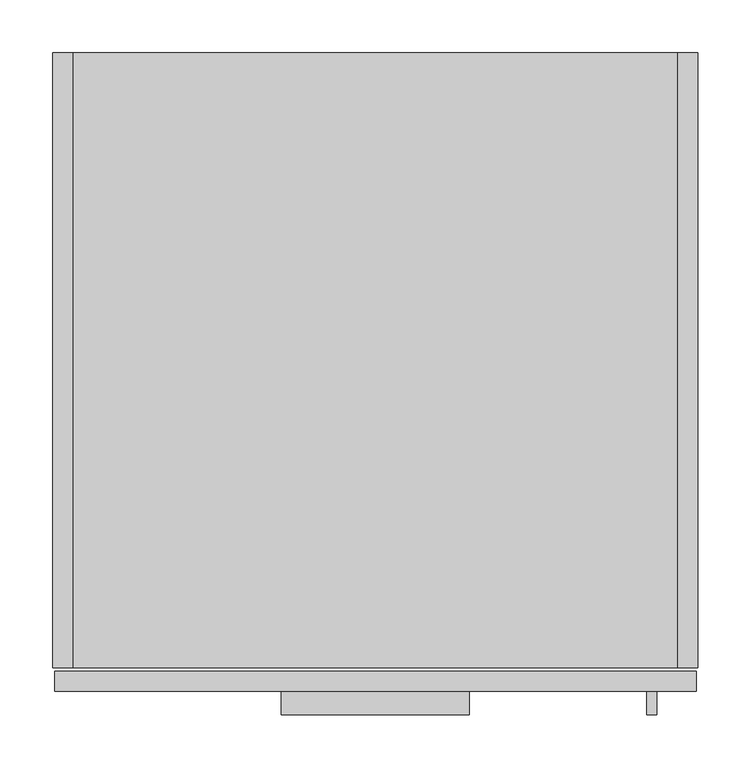
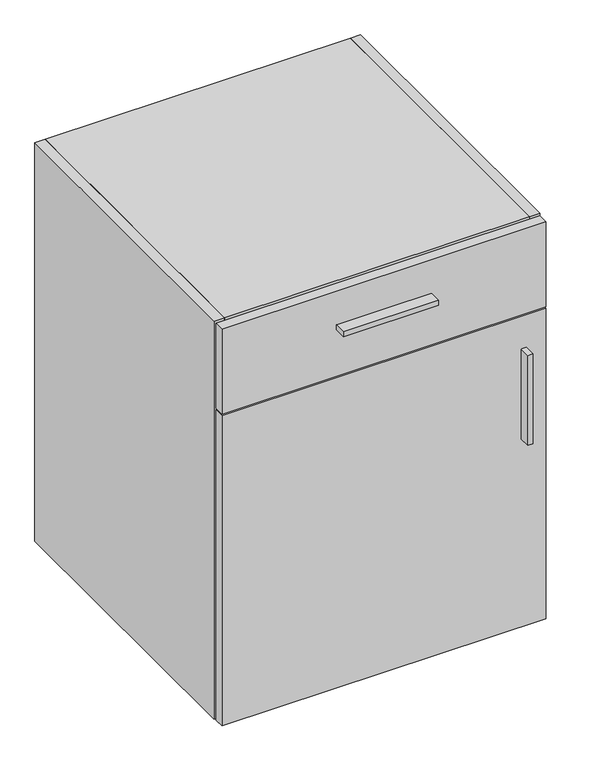
"""IFC4 building model written with IfcOpenShell, lengths in millimetres: furniture geometry."""

from ifc_helpers import new_model, si_unit, frame, origin, place, context, project, spatial, polyline, outline, extrude, source, transform, mapped, element, save


def furniture_a47993ba(model_context):
    return source(origin(), model_context, "Body", "SweptSolid", [
        extrude(outline(polyline([(608.0125, -603.504), (1.5875, -603.504), (1.5875, -584.2), (608.0125, -584.2), (608.0125, -603.504)])), frame((0.0, 0.0, 101.6), z_axis=(0.0, 0.0, 1.0), x_axis=(1.0, 0.0, 0.0)), (0.0, 0.0, 1.0), 613.3592),
        extrude(outline(polyline([(570.8638631, -625.729), (561.3388631, -625.729), (561.3388631, -603.504), (570.8638631, -603.504), (570.8638631, -625.729)])), frame((0.0, 0.0, 473.6592), z_axis=(0.0, 0.0, 1.0), x_axis=(1.0, 0.0, 0.0)), (0.0, 0.0, 1.0), 177.8),
        extrude(outline(polyline([(393.7, -625.729), (215.9, -625.729), (215.9, -603.504), (393.7, -603.504), (393.7, -625.729)])), frame((0.0, 0.0, 809.9425), z_axis=(0.0, 0.0, 1.0), x_axis=(1.0, 0.0, 0.0)), (0.0, 0.0, 1.0), 9.525),
        extrude(outline(polyline([(590.296, 0.0), (590.296, -19.304), (19.304, -19.304), (19.304, 0.0), (590.296, 0.0)])), frame((0.0, 0.0, 101.6), z_axis=(0.0, 0.0, 1.0), x_axis=(1.0, 0.0, 0.0)), (0.0, 0.0, 1.0), 768.096),
        extrude(outline(polyline([(590.296, -581.025), (19.304, -581.025), (19.304, -19.304), (590.296, -19.304), (590.296, -581.025)])), frame((0.0, 0.0, 101.6), z_axis=(0.0, 0.0, 1.0), x_axis=(1.0, 0.0, 0.0)), (0.0, 0.0, 1.0), 19.304),
        extrude(outline(polyline([(590.296, -581.025), (19.304, -581.025), (19.304, 0.0), (590.296, 0.0), (590.296, -581.025)])), frame((0.0, 0.0, 869.696), z_axis=(0.0, 0.0, 1.0), x_axis=(1.0, 0.0, 0.0)), (0.0, 0.0, 1.0), 19.304),
        extrude(outline(polyline([(19.304, 0.0), (19.304, -581.025), (0.0, -581.025), (0.0, 0.0), (19.304, 0.0)])), frame((0.0, 0.0, 101.6), z_axis=(0.0, 0.0, 1.0), x_axis=(1.0, 0.0, 0.0)), (0.0, 0.0, 1.0), 787.4),
        extrude(outline(polyline([(590.296, 0.0), (609.6, 0.0), (609.6, -581.025), (590.296, -581.025), (590.296, 0.0)])), frame((0.0, 0.0, 101.6), z_axis=(0.0, 0.0, 1.0), x_axis=(1.0, 0.0, 0.0)), (0.0, 0.0, 1.0), 787.4),
        extrude(outline(polyline([(608.0125, -603.504), (1.5875, -603.504), (1.5875, -584.2), (608.0125, -584.2), (608.0125, -603.504)])), frame((0.0, 0.0, 718.1342), z_axis=(0.0, 0.0, 1.0), x_axis=(1.0, 0.0, 0.0)), (0.0, 0.0, 1.0), 167.6908),
    ])


if __name__ == "__main__":
    model = new_model("IFC4")
    model_context = context("Model", 3, world=origin())
    ifc_project = project(units=[si_unit("LENGTHUNIT", "METRE", prefix="MILLI")], contexts=[model_context])
    site = spatial("IfcSite", under=ifc_project)
    building = spatial("IfcBuilding", under=site)
    placement = place(None, origin())
    furniture_shape = furniture_a47993ba(model_context)
    element("IfcFurniture", 1, at=placement, inside=building, context=model_context, shape_type="MappedRepresentation", body=[
        mapped(furniture_shape, transform((0.0, 0.0, 0.0), x_axis=(1.0, 0.0, 0.0), y_axis=(0.0, 1.0, 0.0), z_axis=(0.0, 0.0, 1.0))),
    ])
    save(model, "model.ifc")
